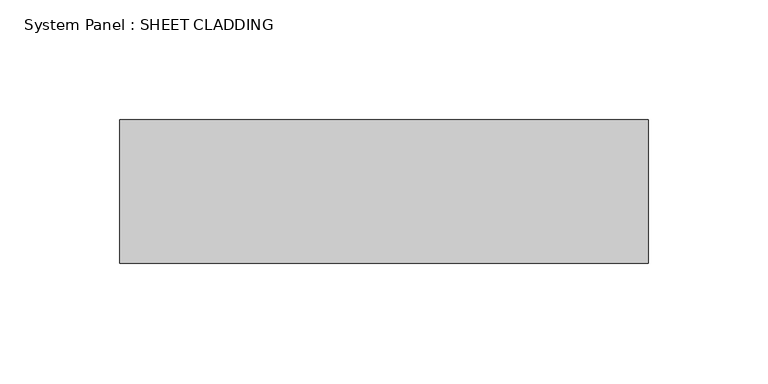
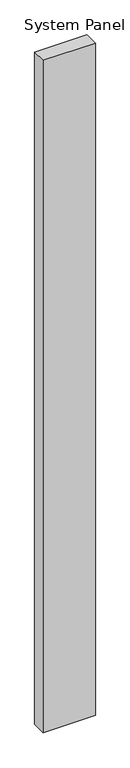
"""IFC4 building model written with IfcOpenShell, lengths in millimetres: plate geometry, System Panel : SHEET CLADDING."""

from ifc_helpers import new_model, si_unit, origin, origin_with_axes, place, context, project, spatial, polyline, outline, extrude, source, transform, mapped, element, save


def system_panel_sheet_cladding_63612f0f(model_context):
    return source(origin(), model_context, "Body", "SweptSolid", [
        extrude(outline(polyline([(110.5769231, -49.5), (-110.5769231, -49.5), (-110.5769231, 10.5), (110.5769231, 10.5), (110.5769231, -49.5)])), origin_with_axes(), (0.0, 0.0, 1.0), 3000.0),
    ])


if __name__ == "__main__":
    model = new_model("IFC4")
    model_context = context("Model", 3, world=origin())
    ifc_project = project(units=[si_unit("LENGTHUNIT", "METRE", prefix="MILLI")], contexts=[model_context])
    site = spatial("IfcSite", under=ifc_project)
    building = spatial("IfcBuilding", under=site)
    placement = place(None, origin())
    system_panel_sheet_cladding_shape = system_panel_sheet_cladding_63612f0f(model_context)
    element("IfcPlate", 1, ObjectType="System Panel : SHEET CLADDING", at=placement, inside=building, context=model_context, shape_type="MappedRepresentation", body=[
        mapped(system_panel_sheet_cladding_shape, transform((0.0, 0.0, 0.0), x_axis=(1.0, 0.0, 0.0), y_axis=(0.0, 1.0, 0.0), z_axis=(0.0, 0.0, 1.0))),
    ])
    save(model, "model.ifc")
